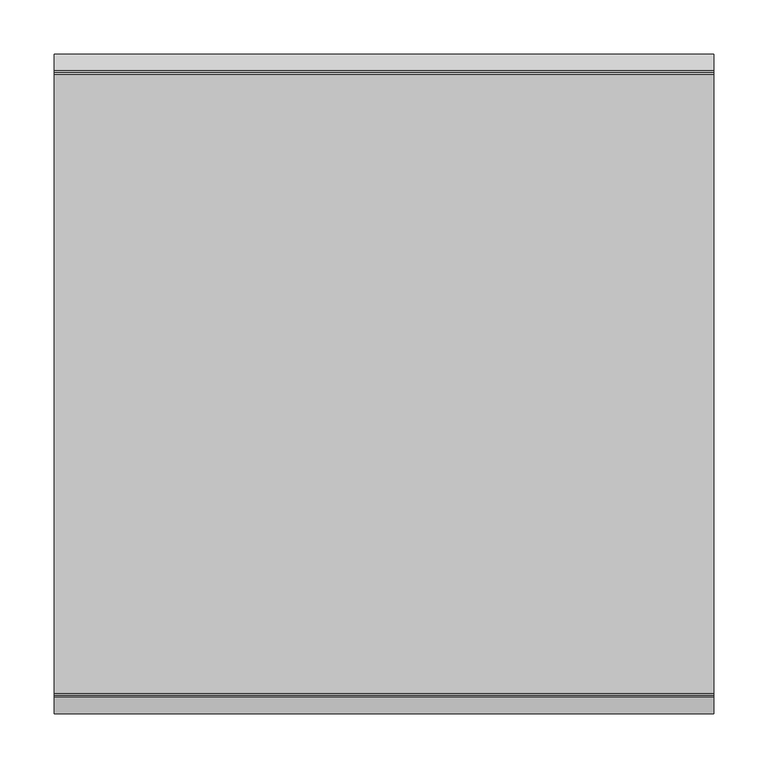
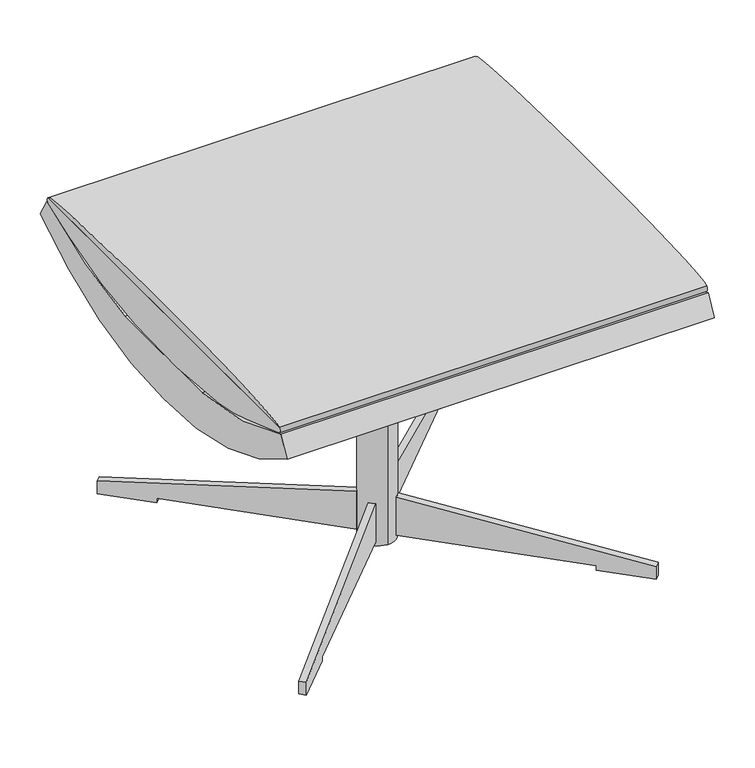
"""IFC4 building model written with IfcOpenShell, lengths in millimetres: furniture geometry."""

from ifc_helpers import new_model, si_unit, point, frame, frame_2d, origin, origin_with_axes, place, context, project, spatial, polyline, circle_curve, ellipse_curve, trimmed, segment, composite_curve, outline, extrude, source, transform, mapped, element, save
from ifc_brep_helpers import plane_surface, extruded_surface, advanced_brep


def furniture_4f7dcfb9(model_context):
    return source(origin(), model_context, "Body", "SolidModel", [
        extrude(outline(polyline([(19.05, 0.0), (63.5, -332.2889792), (6.35, -332.2889792), (6.35, -76.2), (0.0, -76.2), (0.0, 0.0), (19.05, 0.0)])), frame((249.8590427, -254.1401031, 0.0), z_axis=(0.7071067811865533, 0.7071067811865418, 0.0), x_axis=(0.0, 0.0, 1.0)), (0.0, 0.0, 1.0), 9.525),
        extrude(outline(polyline([(-101.7413547, 0.0), (233.5074608, 0.0), (225.9300514, -56.6454356), (-27.897976, -22.691087), (-28.7399103, -28.9850243), (-104.2671578, -18.8818119), (-101.7413547, 0.0)])), frame((185.2873927, 179.7634461, 32.5396919), z_axis=(-0.7071067811865458, 0.7071067811865493, 0.0), x_axis=(-0.700863894945586, -0.7008638949455851, 0.13258808967402222)), (0.0, 0.0, 1.0), 9.525),
        extrude(outline(polyline([(101.7413547, 0.0), (104.2671578, -18.8818119), (28.7399104, -28.9850243), (27.897976, -22.691087), (-225.9300514, -56.6454356), (-233.5074607, 0.0), (101.7413547, 0.0)])), frame((-177.9317153, -182.833261, 32.5396919), z_axis=(-0.7071067811865485, 0.7071067811865467, 0.0), x_axis=(-0.7008638949455834, -0.7008638949455877, -0.1325880896740221)), (0.0, 0.0, 1.0), 9.525),
        extrude(outline(composite_curve([segment(trimmed(circle_curve(frame_2d((0.0, 1.8326886)), 25.4), [point((0.0, 27.2326886))], [point((0.0, -23.5673114))], False, "CARTESIAN"), True, "CONTINUOUS"), segment(trimmed(circle_curve(frame_2d((0.0, 1.8326886)), 25.4), [point((0.0, -23.5673114))], [point((0.0, 27.2326886))], False, "CARTESIAN"), True, "CONTINUOUS")], self_intersect=False)), origin_with_axes(), (0.0, 0.0, 1.0), 327.0249999),
        advanced_brep(
        [(-304.8, 287.5826886, 441.325), (-304.8, -283.9173114, 441.325), (304.8, 287.5826886, 441.325), (304.8, -283.9173114, 441.325)],
        [
            (0, 1),
            (1, 0, ellipse_curve(frame((-304.8, 1.8326886, 441.325), z_axis=(-1.0, 0.0, 0.0), x_axis=(0.0, 1.0, 0.0)), 285.75, 12.1708299)),
            (2, 3, ellipse_curve(frame((304.8, 1.8326886, 441.325), z_axis=(1.0, 0.0, 0.0), x_axis=(0.0, 1.0, 0.0)), 285.75, 12.1708299)),
            (3, 2),
            (0, 2),
            (3, 1),
        ],
        [
            plane_surface(frame((-304.8, -283.9173114, 441.325), z_axis=(-1.0, 0.0, 0.0), x_axis=(0.0, -1.0, 0.0))),
            plane_surface(frame((304.8, -283.9173114, 441.325), z_axis=(1.0, 0.0, 0.0), x_axis=(0.0, 1.0, 0.0))),
            plane_surface(frame((-304.8, 287.5826886, 441.325), z_axis=(0.0, 0.0, -1.0), x_axis=(1.0, 0.0, 0.0))),
            extruded_surface(trimmed(ellipse_curve(frame((914.4, 1.8326886, 441.325), z_axis=(-1.0, 0.0, 0.0), x_axis=(0.0, 1.0, 0.0)), 285.75, 12.1708299), [point((914.4, -283.9173114, 441.325))], [point((914.4, 287.5826886, 441.325))], True, "CARTESIAN"), (-609.5999999999999, 0.0, 0.0), 609.5999999999999),
        ],
        [
            (0, [[1, 2]]),
            (1, [[3, 4]]),
            (2, [[-1, 5, -4, 6]]),
            (3, [[-2, -6, -3, -5]]),
        ],
    ),
        extrude(outline(composite_curve([segment(polyline([(-283.9173114, 441.325), (287.5826886, 441.325)]), True, "CONTINUOUS"), segment(trimmed(circle_curve(frame_2d((284.2020863, 437.152634)), 5.3700196), [point((287.5826886, 441.325))], [point((286.088256, 432.1247642))], False, "CARTESIAN"), True, "CONTINUOUS"), segment(trimmed(circle_curve(frame_2d((-502.2168622, 2533.470909)), 2244.3441312), [point((286.088256, 432.1247642))], [point((235.4957176, 413.8339757))], False, "CARTESIAN"), True, "CONTINUOUS"), segment(trimmed(circle_curve(frame_2d((27.9844396, 1010.0669544)), 631.3118844), [point((235.4957176, 413.8339757))], [point((72.8286174, 380.3497995))], False, "CARTESIAN"), True, "CONTINUOUS"), segment(trimmed(circle_curve(frame_2d((1.8305501, 1377.3287424)), 999.5037459), [point((72.8286174, 380.3497995))], [point((-136.5494494, 387.4506116))], False, "CARTESIAN"), True, "CONTINUOUS"), segment(trimmed(circle_curve(frame_2d((-92.4356071, 703.011588)), 318.6295042), [point((-136.5494494, 387.4506116))], [point((-202.7064041, 404.071607))], False, "CARTESIAN"), True, "CONTINUOUS"), segment(trimmed(circle_curve(frame_2d((-1180.1955005, -2245.8645493)), 2824.4727944), [point((-202.7064041, 404.071607))], [point((-282.2579728, 432.0739792))], True, "CARTESIAN"), True, "CONTINUOUS"), segment(trimmed(circle_curve(frame_2d((-280.5546529, 437.1538272)), 5.3578125), [point((-282.2579728, 432.0739792))], [point((-283.9173114, 441.325))], False, "CARTESIAN"), True, "CONTINUOUS")], self_intersect=False)), frame((-304.8, 0.0, 0.0), z_axis=(1.0, 0.0, 0.0), x_axis=(0.0, 1.0, 0.0)), (0.0, 0.0, 1.0), 609.6),
        extrude(outline(composite_curve([segment(trimmed(circle_curve(frame_2d((11.5105196, 821.218611)), 510.1587123), [point((306.6322097, 405.0875021))], [point((1.8317308, 311.1517205))], False, "CARTESIAN"), True, "CONTINUOUS"), segment(trimmed(circle_curve(frame_2d((-7.8211253, 821.2997479)), 510.2393433), [point((1.8317308, 311.1517205))], [point((-302.9677903, 405.0875021))], False, "CARTESIAN"), True, "CONTINUOUS"), segment(polyline([(-302.9677903, 405.0875021), (-287.5246038, 432.8291275)]), True, "CONTINUOUS"), segment(trimmed(circle_curve(frame_2d((-55.987739, 881.6057172)), 504.9848981), [point((-287.5246038, 432.8291275))], [point((-92.8320409, 377.9667149))], True, "CARTESIAN"), True, "CONTINUOUS"), segment(trimmed(circle_curve(frame_2d((-1.927582, 1620.5748964)), 1245.9288558), [point((-92.8320409, 377.9667149))], [point((96.497418, 378.539779))], True, "CARTESIAN"), True, "CONTINUOUS"), segment(trimmed(circle_curve(frame_2d((54.8443404, 904.1642143)), 527.2722502), [point((96.497418, 378.539779))], [point((291.1892322, 432.828752))], True, "CARTESIAN"), True, "CONTINUOUS"), segment(polyline([(291.1892322, 432.828752), (306.6322097, 405.0875021)]), True, "CONTINUOUS")], self_intersect=False)), frame((-304.8, 0.0, 0.0), z_axis=(1.0, 0.0, 0.0), x_axis=(0.0, 1.0, 0.0)), (0.0, 0.0, 1.0), 609.6),
        extrude(outline(polyline([(-19.05, 0.0), (0.0, 0.0), (0.0, -76.2), (-6.35, -76.2), (-6.35, -332.2889793), (-63.5, -332.2889793), (-19.05, 0.0)])), frame((-255.9737495, 251.0702882, 0.0), z_axis=(0.7071067811865508, 0.7071067811865444, 0.0), x_axis=(0.0, 0.0, -1.0)), (0.0, 0.0, 1.0), 9.525),
    ])


if __name__ == "__main__":
    model = new_model("IFC4")
    model_context = context("Model", 3, world=origin())
    ifc_project = project(units=[si_unit("LENGTHUNIT", "METRE", prefix="MILLI")], contexts=[model_context])
    site = spatial("IfcSite", under=ifc_project)
    building = spatial("IfcBuilding", under=site)
    placement = place(None, origin())
    furniture_shape = furniture_4f7dcfb9(model_context)
    element("IfcFurniture", 1, at=placement, inside=building, context=model_context, shape_type="MappedRepresentation", body=[
        mapped(furniture_shape, transform((0.0, 0.0, 0.0), x_axis=(1.0, 0.0, 0.0), y_axis=(0.0, 1.0, 0.0), z_axis=(0.0, 0.0, 1.0))),
    ])
    save(model, "model.ifc")
